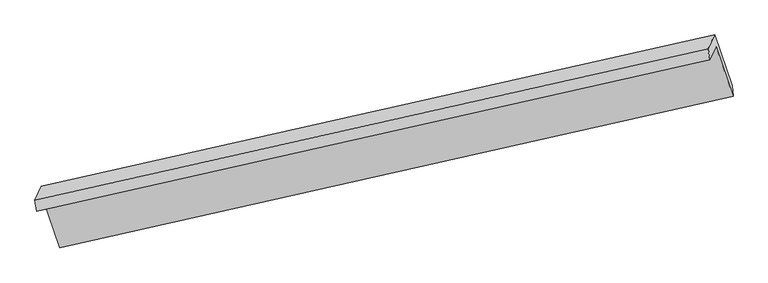
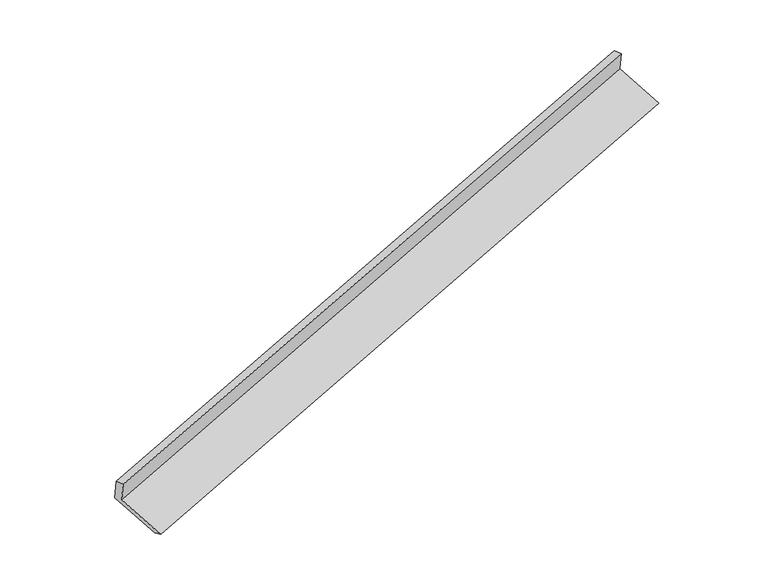
"""IFC4 building model written with IfcOpenShell, lengths in millimetres: proxy geometry."""

from ifc_helpers import new_model, si_unit, origin, place, context, project, spatial, faceted_brep, source, transform, mapped, element, save


def generic_models_84343ed4(model_context):
    return source(origin(), model_context, "Body", "Brep", [
        faceted_brep([(-7427.0647895, -2476.8022249, 910.1685272), (-7346.3672182, -2303.1597151, 524.7831609), (1546.8095128, -301.6634197, 3283.1934072), (1466.1119414, -475.3059296, 3668.5787734), (-7450.6518488, -2330.6148961, 879.7415875), (1442.5248821, -329.1186007, 3638.1518338), (-7366.0117375, -2148.488952, 475.5279319), (1527.1649934, -146.9926566, 3233.9381781), (-7134.7940434, -2820.686763, 221.0724771), (1758.3826876, -819.1904677, 2979.4827234), (-7120.7561366, -2959.0579402, 276.4977925), (1772.4205943, -957.5616448, 3034.9080388)], [[[0, 1, 2, 3]], [[4, 0, 3, 5]], [[6, 4, 5, 7]], [[8, 6, 7, 9]], [[10, 8, 9, 11]], [[1, 10, 11, 2]], [[9, 7, 5, 3, 2, 11]], [[1, 0, 4, 6, 8, 10]]]),
    ])


if __name__ == "__main__":
    model = new_model("IFC4")
    model_context = context("Model", 3, world=origin())
    ifc_project = project(units=[si_unit("LENGTHUNIT", "METRE", prefix="MILLI")], contexts=[model_context])
    site = spatial("IfcSite", under=ifc_project)
    building = spatial("IfcBuilding", under=site)
    placement = place(None, origin())
    generic_models_shape = generic_models_84343ed4(model_context)
    element("IfcBuildingElementProxy", 1, Name="Generic Models", at=placement, inside=building, context=model_context, shape_type="MappedRepresentation", body=[
        mapped(generic_models_shape, transform((0.0, 0.0, 0.0), x_axis=(1.0, 0.0, 0.0), y_axis=(0.0, 1.0, 0.0), z_axis=(0.0, 0.0, 1.0))),
    ])
    save(model, "model.ifc")
